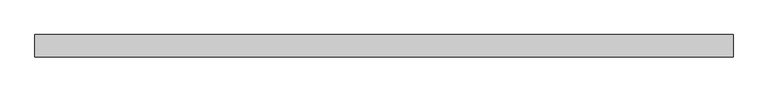
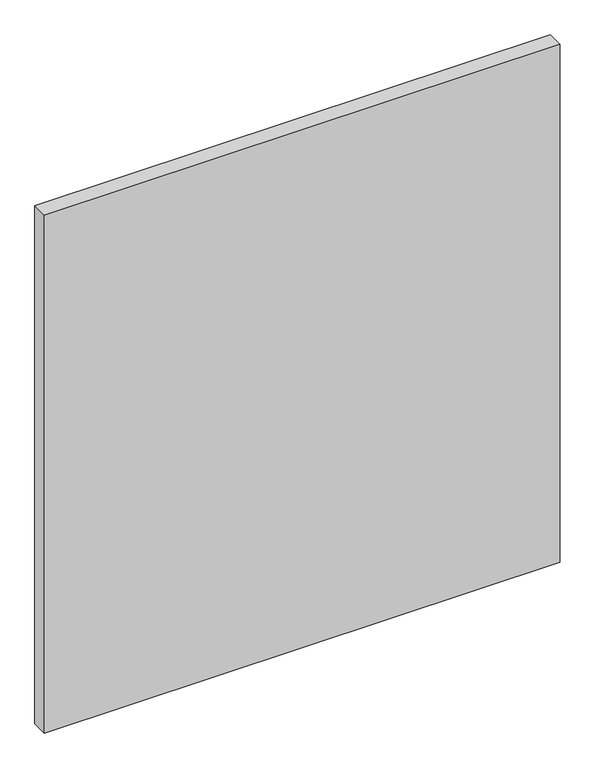
"""IFC4 building model written with IfcOpenShell, lengths in millimetres: plate geometry."""

from ifc_helpers import new_model, si_unit, origin, origin_with_axes, place, context, project, spatial, polyline, outline, extrude, source, transform, mapped, element, save


def plate_f0f65c40(model_context):
    return source(origin(), model_context, "Body", "SweptSolid", [
        extrude(outline(polyline([(551.3125, -17.5), (-551.3125, -17.5), (-551.3125, 17.5), (551.3125, 17.5), (551.3125, -17.5)])), origin_with_axes(), (0.0, 0.0, 1.0), 1170.0),
    ])


if __name__ == "__main__":
    model = new_model("IFC4")
    model_context = context("Model", 3, world=origin())
    ifc_project = project(units=[si_unit("LENGTHUNIT", "METRE", prefix="MILLI")], contexts=[model_context])
    site = spatial("IfcSite", under=ifc_project)
    building = spatial("IfcBuilding", under=site)
    placement = place(None, origin())
    plate_shape = plate_f0f65c40(model_context)
    element("IfcPlate", 1, at=placement, inside=building, context=model_context, shape_type="MappedRepresentation", body=[
        mapped(plate_shape, transform((0.0, 0.0, 0.0), x_axis=(1.0, 0.0, 0.0), y_axis=(0.0, 1.0, 0.0), z_axis=(0.0, 0.0, 1.0))),
    ])
    save(model, "model.ifc")
